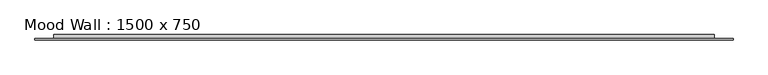
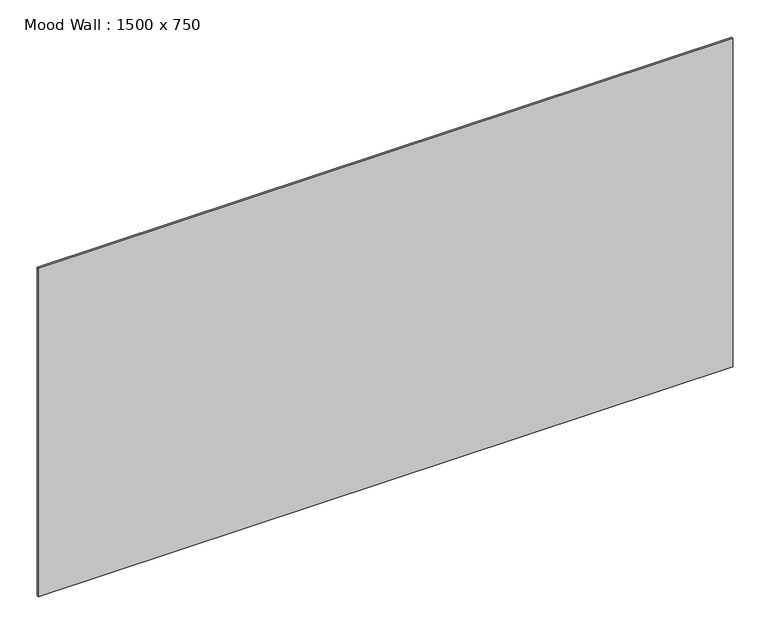
"""IFC4 building model written with IfcOpenShell, lengths in millimetres: furniture geometry, Mood Wall : 1500 x 750."""

from ifc_helpers import new_model, si_unit, frame, origin, origin_with_axes, place, context, project, spatial, polyline, outline, extrude, source, transform, mapped, element, save


def mood_wall_1500_x_750_456ad851(model_context):
    return source(origin(), model_context, "Body", "SweptSolid", [
        extrude(outline(polyline([(749.9945313, -8.0), (749.9945313, -12.0), (-749.9945312, -12.0), (-749.9945312, -8.0), (749.9945313, -8.0)])), origin_with_axes(), (0.0, 0.0, 1.0), 749.9945313),
        extrude(outline(polyline([(709.9945313, 0.0), (709.9945313, -8.0), (-709.9945312, -8.0), (-709.9945312, 0.0), (709.9945313, 0.0)])), frame((0.0, 0.0, 40.0), z_axis=(0.0, 0.0, 1.0), x_axis=(1.0, 0.0, 0.0)), (0.0, 0.0, 1.0), 669.9945312),
    ])


if __name__ == "__main__":
    model = new_model("IFC4")
    model_context = context("Model", 3, world=origin())
    ifc_project = project(units=[si_unit("LENGTHUNIT", "METRE", prefix="MILLI")], contexts=[model_context])
    site = spatial("IfcSite", under=ifc_project)
    building = spatial("IfcBuilding", under=site)
    placement = place(None, origin())
    mood_wall_1500_x_750_shape = mood_wall_1500_x_750_456ad851(model_context)
    element("IfcFurniture", 1, ObjectType="Mood Wall : 1500 x 750", at=placement, inside=building, context=model_context, shape_type="MappedRepresentation", body=[
        mapped(mood_wall_1500_x_750_shape, transform((0.0, 0.0, 0.0), x_axis=(1.0, 0.0, 0.0), y_axis=(0.0, 1.0, 0.0), z_axis=(0.0, 0.0, 1.0))),
    ])
    save(model, "model.ifc")
